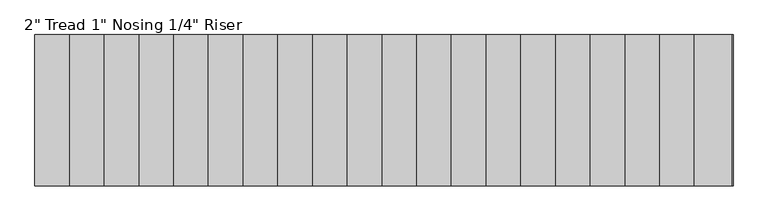
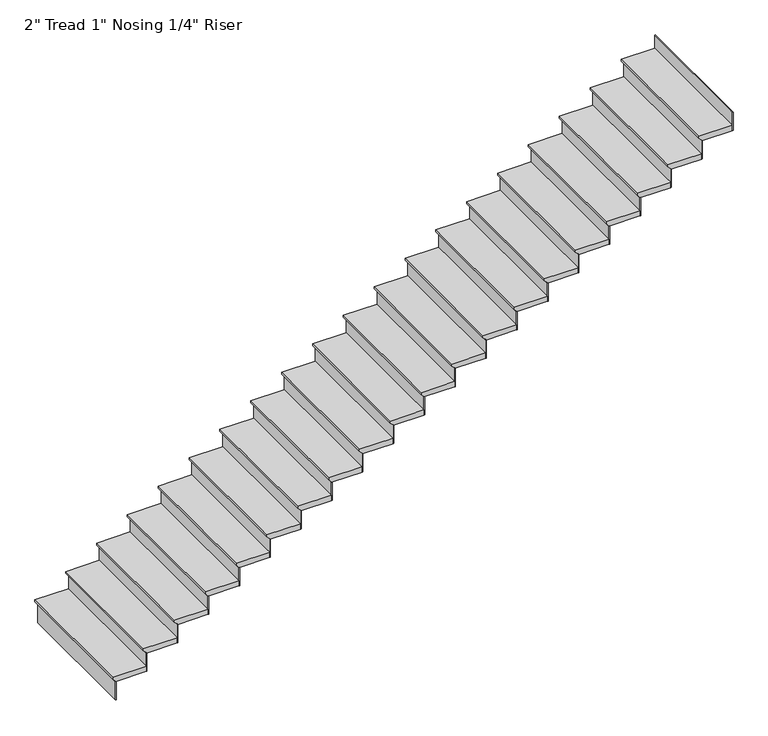
"""IFC4 building model written with IfcOpenShell, lengths in millimetres: stair flight geometry."""

from ifc_helpers import new_model, si_unit, frame, origin, place, context, project, spatial, polyline, outline, extrude, source, transform, mapped, element, save


def stair_flight_28420a5c(model_context):
    return source(origin(), model_context, "Body", "SweptSolid", [
        extrude(outline(polyline([(-9590.0487805, 6105.9980401), (-9590.0487805, 5801.1980401), (-9609.0987805, 5801.1980401), (-9634.4987805, 5826.5980401), (-9640.8487805, 5826.5980401), (-9640.8487805, 6105.9980401), (-9590.0487805, 6105.9980401)])), frame((0.0, -14607.2995493, 0.0), z_axis=(0.0, 1.0, 0.0), x_axis=(0.0, 0.0, 1.0)), (0.0, 0.0, 1.0), 1219.2),
        extrude(outline(polyline([(5832.9480401, -14607.2995493), (5826.5980401, -14607.2995493), (5826.5980401, -13388.0995493), (5832.9480401, -13388.0995493), (5832.9480401, -14607.2995493)])), frame((0.0, 0.0, -9815.5512195), z_axis=(0.0, 0.0, 1.0), x_axis=(1.0, 0.0, 0.0)), (0.0, 0.0, 1.0), 174.702439),
        extrude(outline(polyline([(6112.3480401, -14607.2995493), (6105.9980401, -14607.2995493), (6105.9980401, -13388.0995493), (6112.3480401, -13388.0995493), (6112.3480401, -14607.2995493)])), frame((0.0, 0.0, -9640.8487805), z_axis=(0.0, 0.0, 1.0), x_axis=(1.0, 0.0, 0.0)), (0.0, 0.0, 1.0), 174.702439),
        extrude(outline(polyline([(-9415.3463415, 6385.3980401), (-9415.3463415, 6080.5980401), (-9434.3963415, 6080.5980401), (-9459.7963415, 6105.9980401), (-9466.1463415, 6105.9980401), (-9466.1463415, 6385.3980401), (-9415.3463415, 6385.3980401)])), frame((0.0, -14607.2995493, 0.0), z_axis=(0.0, 1.0, 0.0), x_axis=(0.0, 0.0, 1.0)), (0.0, 0.0, 1.0), 1219.2),
        extrude(outline(polyline([(6391.7480401, -14607.2995493), (6385.3980401, -14607.2995493), (6385.3980401, -13388.0995493), (6391.7480401, -13388.0995493), (6391.7480401, -14607.2995493)])), frame((0.0, 0.0, -9466.1463415), z_axis=(0.0, 0.0, 1.0), x_axis=(1.0, 0.0, 0.0)), (0.0, 0.0, 1.0), 174.702439),
        extrude(outline(polyline([(-9240.6439024, 6664.7980401), (-9240.6439024, 6359.9980401), (-9259.6939024, 6359.9980401), (-9285.0939024, 6385.3980401), (-9291.4439024, 6385.3980401), (-9291.4439024, 6664.7980401), (-9240.6439024, 6664.7980401)])), frame((0.0, -14607.2995493, 0.0), z_axis=(0.0, 1.0, 0.0), x_axis=(0.0, 0.0, 1.0)), (0.0, 0.0, 1.0), 1219.2),
        extrude(outline(polyline([(6671.1480401, -14607.2995493), (6664.7980401, -14607.2995493), (6664.7980401, -13388.0995493), (6671.1480401, -13388.0995493), (6671.1480401, -14607.2995493)])), frame((0.0, 0.0, -9291.4439024), z_axis=(0.0, 0.0, 1.0), x_axis=(1.0, 0.0, 0.0)), (0.0, 0.0, 1.0), 174.702439),
        extrude(outline(polyline([(-9065.9414634, 6944.1980401), (-9065.9414634, 6639.3980401), (-9084.9914634, 6639.3980401), (-9110.3914634, 6664.7980401), (-9116.7414634, 6664.7980401), (-9116.7414634, 6944.1980401), (-9065.9414634, 6944.1980401)])), frame((0.0, -14607.2995493, 0.0), z_axis=(0.0, 1.0, 0.0), x_axis=(0.0, 0.0, 1.0)), (0.0, 0.0, 1.0), 1219.2),
        extrude(outline(polyline([(6950.5480401, -14607.2995493), (6944.1980401, -14607.2995493), (6944.1980401, -13388.0995493), (6950.5480401, -13388.0995493), (6950.5480401, -14607.2995493)])), frame((0.0, 0.0, -9116.7414634), z_axis=(0.0, 0.0, 1.0), x_axis=(1.0, 0.0, 0.0)), (0.0, 0.0, 1.0), 174.702439),
        extrude(outline(polyline([(-8891.2390244, 7223.5980401), (-8891.2390244, 6918.7980401), (-8910.2890244, 6918.7980401), (-8935.6890244, 6944.1980401), (-8942.0390244, 6944.1980401), (-8942.0390244, 7223.5980401), (-8891.2390244, 7223.5980401)])), frame((0.0, -14607.2995493, 0.0), z_axis=(0.0, 1.0, 0.0), x_axis=(0.0, 0.0, 1.0)), (0.0, 0.0, 1.0), 1219.2),
        extrude(outline(polyline([(7229.9480401, -14607.2995493), (7223.5980401, -14607.2995493), (7223.5980401, -13388.0995493), (7229.9480401, -13388.0995493), (7229.9480401, -14607.2995493)])), frame((0.0, 0.0, -8942.0390244), z_axis=(0.0, 0.0, 1.0), x_axis=(1.0, 0.0, 0.0)), (0.0, 0.0, 1.0), 174.702439),
        extrude(outline(polyline([(-8716.5365854, 7502.9980401), (-8716.5365854, 7198.1980401), (-8735.5865854, 7198.1980401), (-8760.9865854, 7223.5980401), (-8767.3365854, 7223.5980401), (-8767.3365854, 7502.9980401), (-8716.5365854, 7502.9980401)])), frame((0.0, -14607.2995493, 0.0), z_axis=(0.0, 1.0, 0.0), x_axis=(0.0, 0.0, 1.0)), (0.0, 0.0, 1.0), 1219.2),
        extrude(outline(polyline([(7509.3480401, -14607.2995493), (7502.9980401, -14607.2995493), (7502.9980401, -13388.0995493), (7509.3480401, -13388.0995493), (7509.3480401, -14607.2995493)])), frame((0.0, 0.0, -8767.3365854), z_axis=(0.0, 0.0, 1.0), x_axis=(1.0, 0.0, 0.0)), (0.0, 0.0, 1.0), 174.702439),
        extrude(outline(polyline([(-8541.8341463, 7782.3980401), (-8541.8341463, 7477.5980401), (-8560.8841463, 7477.5980401), (-8586.2841463, 7502.9980401), (-8592.6341463, 7502.9980401), (-8592.6341463, 7782.3980401), (-8541.8341463, 7782.3980401)])), frame((0.0, -14607.2995493, 0.0), z_axis=(0.0, 1.0, 0.0), x_axis=(0.0, 0.0, 1.0)), (0.0, 0.0, 1.0), 1219.2),
        extrude(outline(polyline([(7788.7480401, -14607.2995493), (7782.3980401, -14607.2995493), (7782.3980401, -13388.0995493), (7788.7480401, -13388.0995493), (7788.7480401, -14607.2995493)])), frame((0.0, 0.0, -8592.6341463), z_axis=(0.0, 0.0, 1.0), x_axis=(1.0, 0.0, 0.0)), (0.0, 0.0, 1.0), 174.702439),
        extrude(outline(polyline([(-8367.1317073, 8061.7980401), (-8367.1317073, 7756.9980401), (-8386.1817073, 7756.9980401), (-8411.5817073, 7782.3980401), (-8417.9317073, 7782.3980401), (-8417.9317073, 8061.7980401), (-8367.1317073, 8061.7980401)])), frame((0.0, -14607.2995493, 0.0), z_axis=(0.0, 1.0, 0.0), x_axis=(0.0, 0.0, 1.0)), (0.0, 0.0, 1.0), 1219.2),
        extrude(outline(polyline([(8068.1480401, -14607.2995493), (8061.7980401, -14607.2995493), (8061.7980401, -13388.0995493), (8068.1480401, -13388.0995493), (8068.1480401, -14607.2995493)])), frame((0.0, 0.0, -8417.9317073), z_axis=(0.0, 0.0, 1.0), x_axis=(1.0, 0.0, 0.0)), (0.0, 0.0, 1.0), 174.702439),
        extrude(outline(polyline([(-8192.4292683, 8341.1980401), (-8192.4292683, 8036.3980401), (-8211.4792683, 8036.3980401), (-8236.8792683, 8061.7980401), (-8243.2292683, 8061.7980401), (-8243.2292683, 8341.1980401), (-8192.4292683, 8341.1980401)])), frame((0.0, -14607.2995493, 0.0), z_axis=(0.0, 1.0, 0.0), x_axis=(0.0, 0.0, 1.0)), (0.0, 0.0, 1.0), 1219.2),
        extrude(outline(polyline([(8347.5480401, -14607.2995493), (8341.1980401, -14607.2995493), (8341.1980401, -13388.0995493), (8347.5480401, -13388.0995493), (8347.5480401, -14607.2995493)])), frame((0.0, 0.0, -8243.2292683), z_axis=(0.0, 0.0, 1.0), x_axis=(1.0, 0.0, 0.0)), (0.0, 0.0, 1.0), 174.702439),
        extrude(outline(polyline([(-8017.7268293, 8620.5980401), (-8017.7268293, 8315.7980401), (-8036.7768293, 8315.7980401), (-8062.1768293, 8341.1980401), (-8068.5268293, 8341.1980401), (-8068.5268293, 8620.5980401), (-8017.7268293, 8620.5980401)])), frame((0.0, -14607.2995493, 0.0), z_axis=(0.0, 1.0, 0.0), x_axis=(0.0, 0.0, 1.0)), (0.0, 0.0, 1.0), 1219.2),
        extrude(outline(polyline([(8626.9480401, -14607.2995493), (8620.5980401, -14607.2995493), (8620.5980401, -13388.0995493), (8626.9480401, -13388.0995493), (8626.9480401, -14607.2995493)])), frame((0.0, 0.0, -8068.5268293), z_axis=(0.0, 0.0, 1.0), x_axis=(1.0, 0.0, 0.0)), (0.0, 0.0, 1.0), 174.702439),
        extrude(outline(polyline([(-7843.0243902, 8899.9980401), (-7843.0243902, 8595.1980401), (-7862.0743902, 8595.1980401), (-7887.4743902, 8620.5980401), (-7893.8243902, 8620.5980401), (-7893.8243902, 8899.9980401), (-7843.0243902, 8899.9980401)])), frame((0.0, -14607.2995493, 0.0), z_axis=(0.0, 1.0, 0.0), x_axis=(0.0, 0.0, 1.0)), (0.0, 0.0, 1.0), 1219.2),
        extrude(outline(polyline([(8906.3480401, -14607.2995493), (8899.9980401, -14607.2995493), (8899.9980401, -13388.0995493), (8906.3480401, -13388.0995493), (8906.3480401, -14607.2995493)])), frame((0.0, 0.0, -7893.8243902), z_axis=(0.0, 0.0, 1.0), x_axis=(1.0, 0.0, 0.0)), (0.0, 0.0, 1.0), 174.702439),
        extrude(outline(polyline([(-7668.3219512, 9179.3980401), (-7668.3219512, 8874.5980401), (-7687.3719512, 8874.5980401), (-7712.7719512, 8899.9980401), (-7719.1219512, 8899.9980401), (-7719.1219512, 9179.3980401), (-7668.3219512, 9179.3980401)])), frame((0.0, -14607.2995493, 0.0), z_axis=(0.0, 1.0, 0.0), x_axis=(0.0, 0.0, 1.0)), (0.0, 0.0, 1.0), 1219.2),
        extrude(outline(polyline([(9185.7480401, -14607.2995493), (9179.3980401, -14607.2995493), (9179.3980401, -13388.0995493), (9185.7480401, -13388.0995493), (9185.7480401, -14607.2995493)])), frame((0.0, 0.0, -7719.1219512), z_axis=(0.0, 0.0, 1.0), x_axis=(1.0, 0.0, 0.0)), (0.0, 0.0, 1.0), 174.702439),
        extrude(outline(polyline([(-7493.6195122, 9458.7980401), (-7493.6195122, 9153.9980401), (-7512.6695122, 9153.9980401), (-7538.0695122, 9179.3980401), (-7544.4195122, 9179.3980401), (-7544.4195122, 9458.7980401), (-7493.6195122, 9458.7980401)])), frame((0.0, -14607.2995493, 0.0), z_axis=(0.0, 1.0, 0.0), x_axis=(0.0, 0.0, 1.0)), (0.0, 0.0, 1.0), 1219.2),
        extrude(outline(polyline([(9465.1480401, -14607.2995493), (9458.7980401, -14607.2995493), (9458.7980401, -13388.0995493), (9465.1480401, -13388.0995493), (9465.1480401, -14607.2995493)])), frame((0.0, 0.0, -7544.4195122), z_axis=(0.0, 0.0, 1.0), x_axis=(1.0, 0.0, 0.0)), (0.0, 0.0, 1.0), 174.702439),
        extrude(outline(polyline([(-7318.9170732, 9738.1980401), (-7318.9170732, 9433.3980401), (-7337.9670732, 9433.3980401), (-7363.3670732, 9458.7980401), (-7369.7170732, 9458.7980401), (-7369.7170732, 9738.1980401), (-7318.9170732, 9738.1980401)])), frame((0.0, -14607.2995493, 0.0), z_axis=(0.0, 1.0, 0.0), x_axis=(0.0, 0.0, 1.0)), (0.0, 0.0, 1.0), 1219.2),
        extrude(outline(polyline([(9744.5480401, -14607.2995493), (9738.1980401, -14607.2995493), (9738.1980401, -13388.0995493), (9744.5480401, -13388.0995493), (9744.5480401, -14607.2995493)])), frame((0.0, 0.0, -7369.7170732), z_axis=(0.0, 0.0, 1.0), x_axis=(1.0, 0.0, 0.0)), (0.0, 0.0, 1.0), 174.702439),
        extrude(outline(polyline([(-7144.2146341, 10017.5980401), (-7144.2146341, 9712.7980401), (-7163.2646341, 9712.7980401), (-7188.6646341, 9738.1980401), (-7195.0146341, 9738.1980401), (-7195.0146341, 10017.5980401), (-7144.2146341, 10017.5980401)])), frame((0.0, -14607.2995493, 0.0), z_axis=(0.0, 1.0, 0.0), x_axis=(0.0, 0.0, 1.0)), (0.0, 0.0, 1.0), 1219.2),
        extrude(outline(polyline([(10023.9480401, -14607.2995493), (10017.5980401, -14607.2995493), (10017.5980401, -13388.0995493), (10023.9480401, -13388.0995493), (10023.9480401, -14607.2995493)])), frame((0.0, 0.0, -7195.0146341), z_axis=(0.0, 0.0, 1.0), x_axis=(1.0, 0.0, 0.0)), (0.0, 0.0, 1.0), 174.702439),
        extrude(outline(polyline([(-6969.5121951, 10296.9980401), (-6969.5121951, 9992.1980401), (-6988.5621951, 9992.1980401), (-7013.9621951, 10017.5980401), (-7020.3121951, 10017.5980401), (-7020.3121951, 10296.9980401), (-6969.5121951, 10296.9980401)])), frame((0.0, -14607.2995493, 0.0), z_axis=(0.0, 1.0, 0.0), x_axis=(0.0, 0.0, 1.0)), (0.0, 0.0, 1.0), 1219.2),
        extrude(outline(polyline([(10303.3480401, -14607.2995493), (10296.9980401, -14607.2995493), (10296.9980401, -13388.0995493), (10303.3480401, -13388.0995493), (10303.3480401, -14607.2995493)])), frame((0.0, 0.0, -7020.3121951), z_axis=(0.0, 0.0, 1.0), x_axis=(1.0, 0.0, 0.0)), (0.0, 0.0, 1.0), 174.702439),
        extrude(outline(polyline([(-6794.8097561, 10576.3980401), (-6794.8097561, 10271.5980401), (-6813.8597561, 10271.5980401), (-6839.2597561, 10296.9980401), (-6845.6097561, 10296.9980401), (-6845.6097561, 10576.3980401), (-6794.8097561, 10576.3980401)])), frame((0.0, -14607.2995493, 0.0), z_axis=(0.0, 1.0, 0.0), x_axis=(0.0, 0.0, 1.0)), (0.0, 0.0, 1.0), 1219.2),
        extrude(outline(polyline([(10582.7480401, -14607.2995493), (10576.3980401, -14607.2995493), (10576.3980401, -13388.0995493), (10582.7480401, -13388.0995493), (10582.7480401, -14607.2995493)])), frame((0.0, 0.0, -6845.6097561), z_axis=(0.0, 0.0, 1.0), x_axis=(1.0, 0.0, 0.0)), (0.0, 0.0, 1.0), 174.702439),
        extrude(outline(polyline([(-6620.1073171, 10855.7980401), (-6620.1073171, 10550.9980401), (-6639.1573171, 10550.9980401), (-6664.5573171, 10576.3980401), (-6670.9073171, 10576.3980401), (-6670.9073171, 10855.7980401), (-6620.1073171, 10855.7980401)])), frame((0.0, -14607.2995493, 0.0), z_axis=(0.0, 1.0, 0.0), x_axis=(0.0, 0.0, 1.0)), (0.0, 0.0, 1.0), 1219.2),
        extrude(outline(polyline([(10862.1480401, -14607.2995493), (10855.7980401, -14607.2995493), (10855.7980401, -13388.0995493), (10862.1480401, -13388.0995493), (10862.1480401, -14607.2995493)])), frame((0.0, 0.0, -6670.9073171), z_axis=(0.0, 0.0, 1.0), x_axis=(1.0, 0.0, 0.0)), (0.0, 0.0, 1.0), 174.702439),
        extrude(outline(polyline([(-6445.404878, 11135.1980401), (-6445.404878, 10830.3980401), (-6464.454878, 10830.3980401), (-6489.854878, 10855.7980401), (-6496.204878, 10855.7980401), (-6496.204878, 11135.1980401), (-6445.404878, 11135.1980401)])), frame((0.0, -14607.2995493, 0.0), z_axis=(0.0, 1.0, 0.0), x_axis=(0.0, 0.0, 1.0)), (0.0, 0.0, 1.0), 1219.2),
        extrude(outline(polyline([(11141.5480401, -14607.2995493), (11135.1980401, -14607.2995493), (11135.1980401, -13388.0995493), (11141.5480401, -13388.0995493), (11141.5480401, -14607.2995493)])), frame((0.0, 0.0, -6496.204878), z_axis=(0.0, 0.0, 1.0), x_axis=(1.0, 0.0, 0.0)), (0.0, 0.0, 1.0), 174.702439),
        extrude(outline(polyline([(11420.9480401, -14607.2995493), (11414.5980401, -14607.2995493), (11414.5980401, -13388.0995493), (11420.9480401, -13388.0995493), (11420.9480401, -14607.2995493)])), frame((0.0, 0.0, -6321.502439), z_axis=(0.0, 0.0, 1.0), x_axis=(1.0, 0.0, 0.0)), (0.0, 0.0, 1.0), 174.702439),
        extrude(outline(polyline([(-6270.702439, 11414.5980401), (-6270.702439, 11109.7980401), (-6289.752439, 11109.7980401), (-6315.152439, 11135.1980401), (-6321.502439, 11135.1980401), (-6321.502439, 11414.5980401), (-6270.702439, 11414.5980401)])), frame((0.0, -14607.2995493, 0.0), z_axis=(0.0, 1.0, 0.0), x_axis=(0.0, 0.0, 1.0)), (0.0, 0.0, 1.0), 1219.2),
    ])


if __name__ == "__main__":
    model = new_model("IFC4")
    model_context = context("Model", 3, world=origin())
    ifc_project = project(units=[si_unit("LENGTHUNIT", "METRE", prefix="MILLI")], contexts=[model_context])
    site = spatial("IfcSite", under=ifc_project)
    building = spatial("IfcBuilding", under=site)
    placement = place(None, origin())
    stair_flight_shape = stair_flight_28420a5c(model_context)
    element("IfcStairFlight", 1, ObjectType="2\" Tread 1\" Nosing 1/4\" Riser", at=placement, inside=building, context=model_context, shape_type="MappedRepresentation", body=[
        mapped(stair_flight_shape, transform((0.0, 0.0, 0.0), x_axis=(1.0, 0.0, 0.0), y_axis=(0.0, 1.0, 0.0), z_axis=(0.0, 0.0, 1.0))),
    ])
    save(model, "model.ifc")
